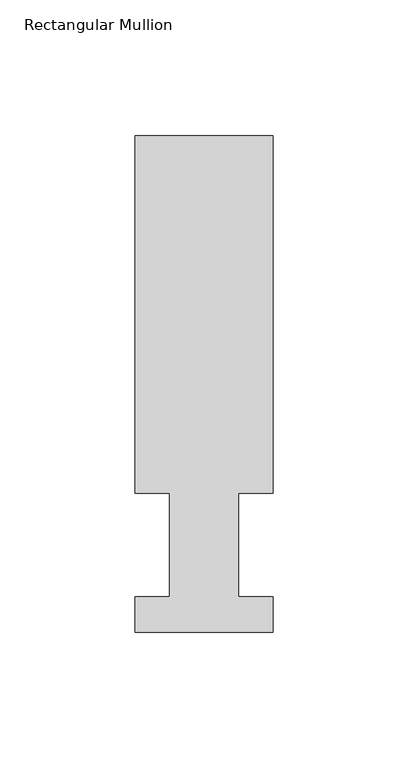
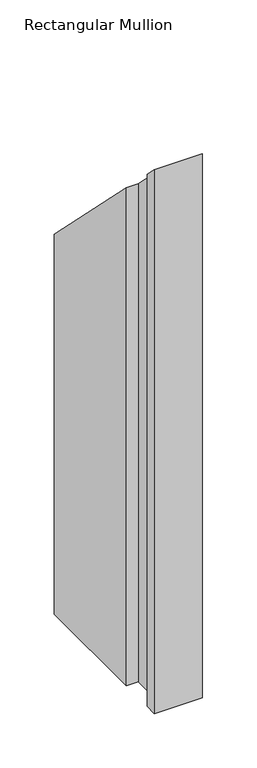
"""IFC4 building model written with IfcOpenShell, lengths in millimetres: member geometry, Rectangular Mullion."""

import ifcopenshell
import ifcopenshell.guid

model = None  # the IFC model being written
_history = None  # IfcOwnerHistory: only IFC2X3 demands one
_inside = {}  # id of a spatial element -> (the spatial element, [elements in it])
_under = {}  # id of a project, library or spatial element -> (it, [spatial elements below it])
_declared = {}  # id of a project -> (the project, [libraries it declares])
_typed = {}  # id of a type object -> (the type object, [elements of that type])
_made_of = {}  # id of a material, layer set ... -> (it, [elements and type objects made of it])


def new_model(schema):
    """Start an empty IFC model of exactly this schema.

    Asked for "IFC4X3", IfcOpenShell would pick the latest addendum, in which some entities
    have other attributes; the version numbers below select the first issue.
    IFC2X3 requires an IfcOwnerHistory on every rooted entity: one is made here for all.
    """
    global model, _history
    if schema == "IFC4X3":
        model = ifcopenshell.file(schema_version=(4, 3, 0, 0))
    else:
        model = ifcopenshell.file(schema=schema)
    _inside.clear()
    _under.clear()
    _declared.clear()
    _typed.clear()
    _made_of.clear()
    _history = None
    if model.schema == "IFC2X3":
        org = make("IfcOrganization", Name="unknown")
        user = make(
            "IfcPersonAndOrganization",
            ThePerson=make("IfcPerson", FamilyName="unknown"),
            TheOrganization=org,
        )
        app = make(
            "IfcApplication",
            ApplicationDeveloper=org,
            Version="unknown",
            ApplicationFullName="unknown",
            ApplicationIdentifier="unknown",
        )
        _history = make(
            "IfcOwnerHistory",
            OwningUser=user,
            OwningApplication=app,
            ChangeAction="ADDED",
            CreationDate=0,
        )
    return model


def make(cls, **values):
    """One entity of the class cls with the attributes given. An attribute that is None is left unset."""
    return model.create_entity(
        cls, **{name: value for name, value in values.items() if value is not None}
    )


def rooted(cls, **values):
    """An entity with a GlobalId (a new one), such as an element, a storey or a relation."""
    return make(cls, GlobalId=ifcopenshell.guid.new(), OwnerHistory=_history, **values)


def si_unit(unit_type, name, prefix=None):
    """IfcSIUnit, for example si_unit("LENGTHUNIT", "METRE", prefix="MILLI")."""
    return make("IfcSIUnit", UnitType=unit_type, Prefix=prefix, Name=name)


def assignment(units):
    """IfcUnitAssignment: the units of a project."""
    return None if units is None else make("IfcUnitAssignment", Units=units)


def point(xyz):
    """IfcCartesianPoint."""
    return None if xyz is None else make("IfcCartesianPoint", Coordinates=xyz)


def direction(xyz):
    """IfcDirection."""
    return None if xyz is None else make("IfcDirection", DirectionRatios=xyz)


def frame(location, z_axis=None, x_axis=None):
    """IfcAxis2Placement3D, a coordinate frame: its origin and axes. An axis left out is left unset."""
    return make(
        "IfcAxis2Placement3D",
        Location=point(location),
        Axis=direction(z_axis),
        RefDirection=direction(x_axis),
    )


def origin():
    """The frame at (0, 0, 0) with its axes left unset."""
    return frame((0.0, 0.0, 0.0))


def place(relative_to, where):
    """IfcLocalPlacement: puts the frame where relative to a parent placement (None: the world)."""
    return make(
        "IfcLocalPlacement", PlacementRelTo=relative_to, RelativePlacement=where
    )


def context(
    kind, dimensions, precision=None, world=None, true_north=None, identifier=None
):
    """IfcGeometricRepresentationContext, for example the 3D "Model" context."""
    return make(
        "IfcGeometricRepresentationContext",
        ContextIdentifier=identifier,
        ContextType=kind,
        CoordinateSpaceDimension=dimensions,
        Precision=precision,
        WorldCoordinateSystem=world,
        TrueNorth=true_north,
    )


def project(units=None, contexts=None):
    """IfcProject with its units and contexts."""
    return rooted(
        "IfcProject",
        Name="project",
        RepresentationContexts=contexts,
        UnitsInContext=assignment(units),
    )


def spatial(cls, under=None, at=None, **own):
    """A site, building, storey or space (cls), placed at a placement, below another one or the project."""
    s = rooted(cls, ObjectPlacement=at, **own)
    if under is not None:
        _under.setdefault(under.id(), (under, []))[1].append(s)
    return s


def faces_of(points, faces, orient=None, outer=None):
    """IfcFace entities. A face is a list of loops; a loop is a list of indices into points, from 0.

    orient and outer hold one flag for each loop. By default every Orientation is true, the
    first loop of a face is its IfcFaceOuterBound and the others are IfcFaceBound.
    """
    made = []
    for i, loops in enumerate(faces):
        bounds = []
        for j, loop in enumerate(loops):
            is_outer = j == 0 if outer is None else outer[i][j]
            bounds.append(
                make(
                    "IfcFaceOuterBound" if is_outer else "IfcFaceBound",
                    Bound=make("IfcPolyLoop", Polygon=[points[k] for k in loop]),
                    Orientation=True if orient is None else orient[i][j],
                )
            )
        made.append(make("IfcFace", Bounds=bounds))
    return made


def faceted_brep(points, faces, orient=None, outer=None, voids=None):
    """IfcFacetedBrep: a solid bounded by flat faces; with voids (closed shells), ...WithVoids."""
    shared = [point(p) for p in points]
    hull = make("IfcClosedShell", CfsFaces=faces_of(shared, faces, orient, outer))
    if voids is None:
        return make("IfcFacetedBrep", Outer=hull)
    return make(
        "IfcFacetedBrepWithVoids",
        Outer=hull,
        Voids=[
            make(cls, CfsFaces=faces_of(shared, fs, o, b)) for cls, fs, o, b in voids
        ],
    )


def shape(context_of_items, identifier, shape_type, items):
    """IfcShapeRepresentation: the items that make up one representation, for example the "Body"."""
    return make(
        "IfcShapeRepresentation",
        ContextOfItems=context_of_items,
        RepresentationIdentifier=identifier,
        RepresentationType=shape_type,
        Items=items,
    )


def source(mapping_origin, context_of_items, identifier, shape_type, items):
    """IfcRepresentationMap: a shape defined once, which mapped items show again and again."""
    return make(
        "IfcRepresentationMap",
        MappingOrigin=mapping_origin,
        MappedRepresentation=shape(context_of_items, identifier, shape_type, items),
    )


def transform(
    local_origin,
    x_axis=None,
    y_axis=None,
    z_axis=None,
    scale=None,
    scale2=None,
    scale3=None,
    uniform=True,
):
    """IfcCartesianTransformationOperator3D, or its non-uniform kind. x_axis, y_axis, z_axis: its Axis1, 2, 3."""
    if uniform:
        return make(
            "IfcCartesianTransformationOperator3D",
            Axis1=direction(x_axis),
            Axis2=direction(y_axis),
            LocalOrigin=point(local_origin),
            Scale=scale,
            Axis3=direction(z_axis),
        )
    return make(
        "IfcCartesianTransformationOperator3DnonUniform",
        Axis1=direction(x_axis),
        Axis2=direction(y_axis),
        LocalOrigin=point(local_origin),
        Scale=scale,
        Axis3=direction(z_axis),
        Scale2=scale2,
        Scale3=scale3,
    )


def mapped(mapping_source, mapping_target):
    """IfcMappedItem: shows the shape of a source again, moved by a transform."""
    return make(
        "IfcMappedItem", MappingSource=mapping_source, MappingTarget=mapping_target
    )


def made_of(thing, what):
    """Note that an element or type object is made of a material, layer set ...; save() writes the relation."""
    if what is not None:
        _made_of.setdefault(what.id(), (what, []))[1].append(thing)
    return thing


def element(
    cls,
    number,
    at=None,
    inside=None,
    cuts=None,
    type_object=None,
    material=None,
    context=None,
    identifier="Body",
    shape_type=None,
    held_by="IfcProductDefinitionShape",
    body=None,
    shapes=None,
    **own,
):
    """One element of the class cls, such as IfcWall. Its Tag is "e" and its number.

    at: its placement. inside: the storey or other place that contains it. cuts: it is an
    opening in that element (IfcRelVoidsElement). A single representation is given by context,
    identifier, shape_type and body (its items); several are given by shapes. held_by: the class
    of the entity that holds the representations. save() writes the other relations.
    """
    e = rooted(cls, Tag="e%d" % number, ObjectPlacement=at, **own)
    if body is not None:
        shapes = [shape(context, identifier, shape_type, body)]
    if shapes is not None:
        e.Representation = make(held_by, Representations=shapes)
    if inside is not None:
        _inside.setdefault(inside.id(), (inside, []))[1].append(e)
    if cuts is not None:
        rooted(
            "IfcRelVoidsElement", RelatingBuildingElement=cuts, RelatedOpeningElement=e
        )
    if type_object is not None:
        _typed.setdefault(type_object.id(), (type_object, []))[1].append(e)
    return made_of(e, material)


def aggregate(whole, parts):
    """IfcRelAggregates: a whole, such as a stair, and the parts it consists of."""
    return rooted("IfcRelAggregates", RelatingObject=whole, RelatedObjects=parts)


def save(model, path):
    """Write the relations noted so far, then the file.

    IfcRelAggregates (storeys below a building ...), IfcRelContainedInSpatialStructure (elements
    in a storey), IfcRelDefinesByType, IfcRelAssociatesMaterial and IfcRelDeclares: one each for
    every whole, place, type object, material and project.
    """
    for whole, parts in _under.values():
        aggregate(whole, parts)
    for where, things in _inside.values():
        rooted(
            "IfcRelContainedInSpatialStructure",
            RelatedElements=things,
            RelatingStructure=where,
        )
    for kind, things in _typed.values():
        rooted("IfcRelDefinesByType", RelatedObjects=things, RelatingType=kind)
    for what, things in _made_of.values():
        rooted("IfcRelAssociatesMaterial", RelatedObjects=things, RelatingMaterial=what)
    for by, libraries in _declared.values():
        rooted("IfcRelDeclares", RelatingContext=by, RelatedDefinitions=libraries)
    model.write(path)


def rectangular_mullion_309a128e(model_context):
    return source(origin(), model_context, "Body", "Brep", [
        faceted_brep([(-50.8, 51.2960937, -609.6), (-50.8, 183.4446738, -609.6), (0.0, 183.4446738, -609.6), (0.0, 51.2960938, -609.6), (-12.7, 51.2960937, -609.6), (-12.7, 13.1960938, -609.6), (0.0, 13.1960938, -609.6), (0.0, 0.0134937, -609.6), (-50.8, 0.0134937, -609.6), (-50.8, 13.1960938, -609.6), (-38.1, 13.1960938, -609.6), (-38.1, 51.2960938, -609.6), (-38.1, 51.2960937, -51.2960937), (-50.8, 51.2960937, -51.2960937), (-38.1, 13.1960938, -13.1960938), (-50.8, 13.1960938, -13.1960938), (-50.8, 0.0134937, -0.0134937), (0.0, 0.0134937, -0.0134937), (0.0, 13.1960938, -13.1960938), (-12.7, 13.1960938, -13.1960938), (-12.7, 51.2960937, -51.2960937), (0.0, 51.2960937, -51.2960937), (0.0, 183.4446738, -183.4446738), (-50.8, 183.4446738, -183.4446738)], [[[0, 1, 2, 3, 4, 5, 6, 7, 8, 9, 10, 11]], [[12, 13, 0, 11]], [[14, 12, 11, 10]], [[15, 14, 10, 9]], [[16, 15, 9, 8]], [[17, 16, 8, 7]], [[18, 17, 7, 6]], [[19, 18, 6, 5]], [[20, 19, 5, 4]], [[21, 20, 4, 3]], [[22, 21, 3, 2]], [[23, 22, 2, 1]], [[13, 23, 1, 0]], [[13, 12, 14, 15, 16, 17, 18, 19, 20, 21, 22, 23]]]),
    ])


if __name__ == "__main__":
    model = new_model("IFC4")
    model_context = context("Model", 3, world=origin())
    ifc_project = project(units=[si_unit("LENGTHUNIT", "METRE", prefix="MILLI")], contexts=[model_context])
    site = spatial("IfcSite", under=ifc_project)
    building = spatial("IfcBuilding", under=site)
    placement = place(None, origin())
    rectangular_mullion_shape = rectangular_mullion_309a128e(model_context)
    element("IfcMember", 1, ObjectType="Rectangular Mullion", at=placement, inside=building, context=model_context, shape_type="MappedRepresentation", body=[
        mapped(rectangular_mullion_shape, transform((0.0, 0.0, 0.0), x_axis=(1.0, 0.0, 0.0), y_axis=(0.0, 1.0, 0.0), z_axis=(0.0, 0.0, 1.0))),
    ])
    save(model, "model.ifc")
